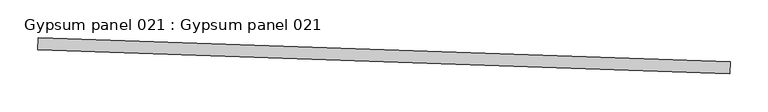
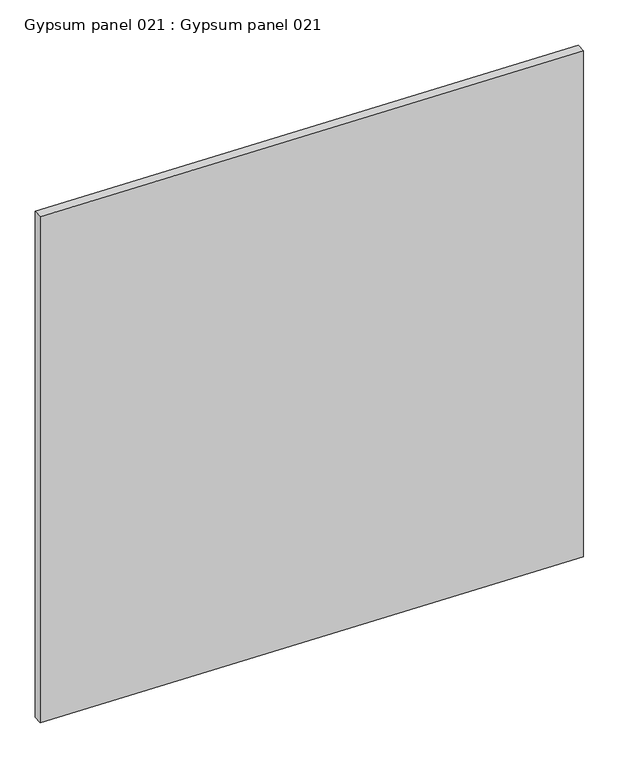
"""IFC4 building model written with IfcOpenShell, lengths in millimetres: proxy geometry, Gypsum panel 021 : Gypsum panel 021."""

from ifc_helpers import new_model, si_unit, frame, origin, place, context, project, spatial, polyline, outline, extrude, source, transform, mapped, element, save


def gypsum_panel_021_gypsum_panel_021_55e04f9f(model_context):
    return source(origin(), model_context, "Body", "SweptSolid", [
        extrude(outline(polyline([(34332.6861276, -16110.1042347), (34332.1431743, -16125.969947), (33418.278146, -16094.6958371), (33418.8210993, -16078.8301248), (34332.6861276, -16110.1042347)])), frame((0.0, 0.0, 152.3995159), z_axis=(0.0, 0.0, 1.0), x_axis=(1.0, 0.0, 0.0)), (0.0, 0.0, 1.0), 916.7269698),
    ])


if __name__ == "__main__":
    model = new_model("IFC4")
    model_context = context("Model", 3, world=origin())
    ifc_project = project(units=[si_unit("LENGTHUNIT", "METRE", prefix="MILLI")], contexts=[model_context])
    site = spatial("IfcSite", under=ifc_project)
    building = spatial("IfcBuilding", under=site)
    placement = place(None, origin())
    gypsum_panel_021_gypsum_panel_021_shape = gypsum_panel_021_gypsum_panel_021_55e04f9f(model_context)
    element("IfcBuildingElementProxy", 1, Name="Gypsum panel 021 : Gypsum panel 021", ObjectType="Gypsum panel 021 : Gypsum panel 021", at=placement, inside=building, context=model_context, shape_type="MappedRepresentation", body=[
        mapped(gypsum_panel_021_gypsum_panel_021_shape, transform((0.0, 0.0, 0.0), x_axis=(1.0, 0.0, 0.0), y_axis=(0.0, 1.0, 0.0), z_axis=(0.0, 0.0, 1.0))),
    ])
    save(model, "model.ifc")
